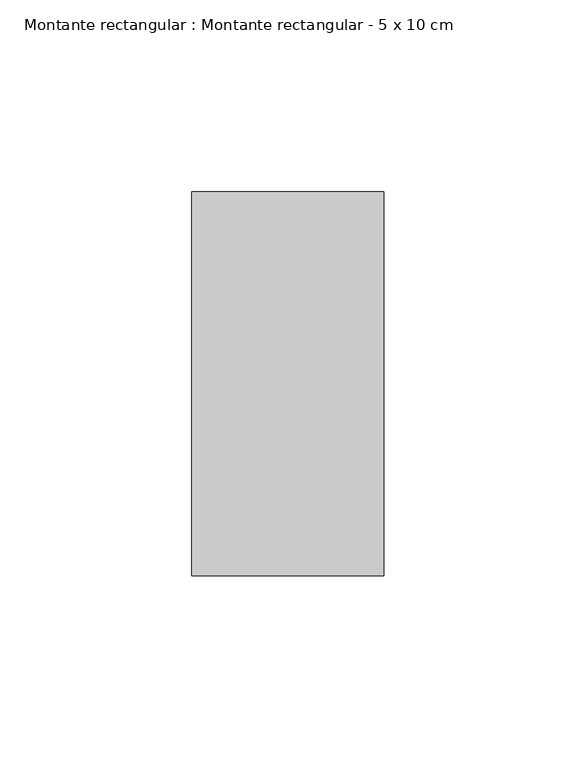
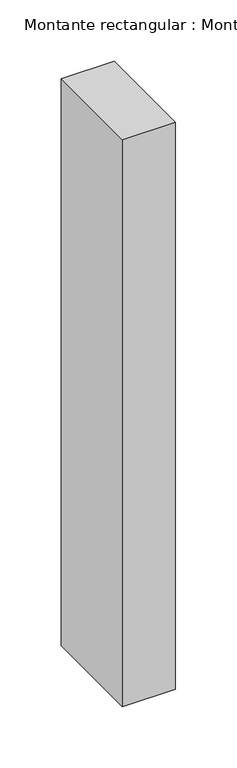
"""IFC4 building model written with IfcOpenShell, lengths in millimetres: member geometry, Montante rectangular : Montante rectangular - 5 x 10 cm."""

from ifc_helpers import new_model, si_unit, frame, origin, place, context, project, spatial, polyline, outline, extrude, source, transform, mapped, element, save


def montante_rectangular_montante_rectangular_5_x_10_cm_0912ee4d(model_context):
    return source(origin(), model_context, "Body", "SweptSolid", [
        extrude(outline(polyline([(0.0, 50.0), (0.0, -50.0), (-50.0, -50.0), (-50.0, 50.0), (0.0, 50.0)])), frame((0.0, 0.0, -565.5935957), z_axis=(0.0, 0.0, 1.0), x_axis=(1.0, 0.0, 0.0)), (0.0, 0.0, 1.0), 565.5935957),
    ])


if __name__ == "__main__":
    model = new_model("IFC4")
    model_context = context("Model", 3, world=origin())
    ifc_project = project(units=[si_unit("LENGTHUNIT", "METRE", prefix="MILLI")], contexts=[model_context])
    site = spatial("IfcSite", under=ifc_project)
    building = spatial("IfcBuilding", under=site)
    placement = place(None, origin())
    montante_rectangular_montante_rectangular_5_x_10_cm_shape = montante_rectangular_montante_rectangular_5_x_10_cm_0912ee4d(model_context)
    element("IfcMember", 1, ObjectType="Montante rectangular : Montante rectangular - 5 x 10 cm", at=placement, inside=building, context=model_context, shape_type="MappedRepresentation", body=[
        mapped(montante_rectangular_montante_rectangular_5_x_10_cm_shape, transform((0.0, 0.0, 0.0), x_axis=(1.0, 0.0, 0.0), y_axis=(0.0, 1.0, 0.0), z_axis=(0.0, 0.0, 1.0))),
    ])
    save(model, "model.ifc")
